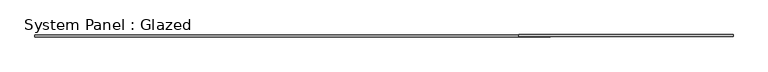
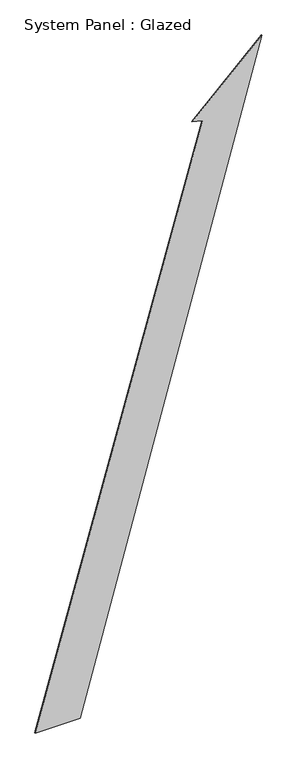
"""IFC4 building model written with IfcOpenShell, lengths in millimetres: plate geometry, System Panel : Glazed."""

from ifc_helpers import new_model, si_unit, frame, origin, place, context, project, spatial, polyline, outline, extrude, source, transform, mapped, element, save


def system_panel_glazed_5938d785(model_context):
    return source(origin(), model_context, "Body", "SweptSolid", [
        extrude(outline(polyline([(0.0, -4222.5594893), (0.0, -2552.7450198), (24502.4472041, 4222.5594893), (22014.6437601, 1627.9333133), (21905.1353072, 2012.6512602), (0.0, -4222.5594893)])), frame((0.0, -77.5, 0.0), z_axis=(0.0, 1.0, 0.0), x_axis=(0.0, 0.0, 1.0)), (0.0, 0.0, 1.0), 25.0),
    ])


if __name__ == "__main__":
    model = new_model("IFC4")
    model_context = context("Model", 3, world=origin())
    ifc_project = project(units=[si_unit("LENGTHUNIT", "METRE", prefix="MILLI")], contexts=[model_context])
    site = spatial("IfcSite", under=ifc_project)
    building = spatial("IfcBuilding", under=site)
    placement = place(None, origin())
    system_panel_glazed_shape = system_panel_glazed_5938d785(model_context)
    element("IfcPlate", 1, ObjectType="System Panel : Glazed", at=placement, inside=building, context=model_context, shape_type="MappedRepresentation", body=[
        mapped(system_panel_glazed_shape, transform((0.0, 0.0, 0.0), x_axis=(1.0, 0.0, 0.0), y_axis=(0.0, 1.0, 0.0), z_axis=(0.0, 0.0, 1.0))),
    ])
    save(model, "model.ifc")
